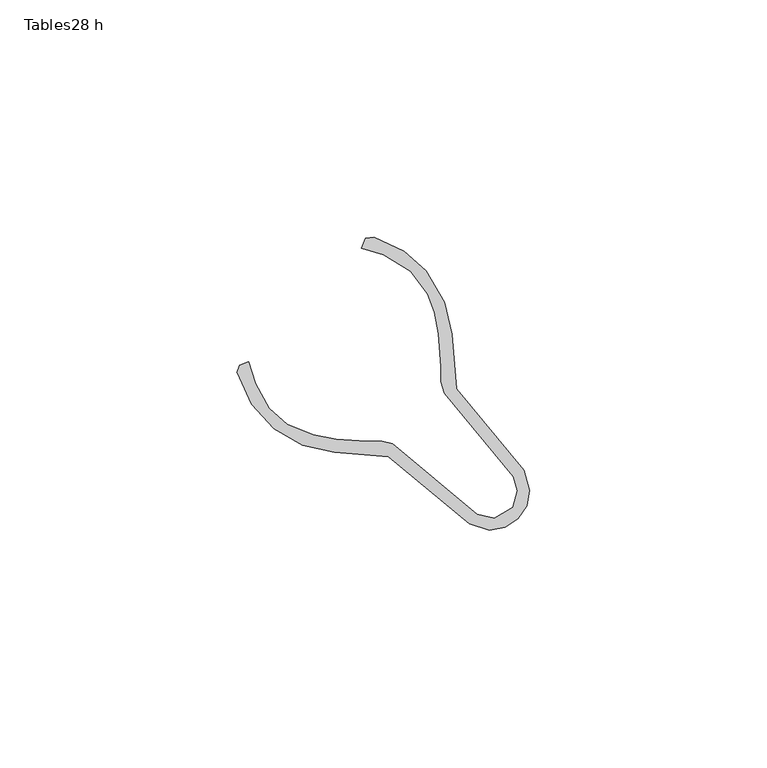
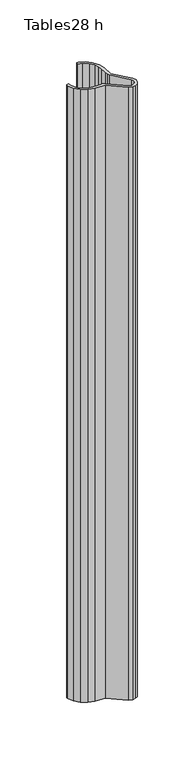
"""IFC4 building model written with IfcOpenShell, lengths in millimetres: furniture geometry, Tables28 h."""

from ifc_helpers import new_model, si_unit, frame, origin, place, context, project, spatial, polyline, outline, extrude, source, transform, mapped, element, save


def tables28_h_51f3609e(model_context):
    return source(origin(), model_context, "Body", "SweptSolid", [
        extrude(outline(polyline([(52.0630512, -37.6892647), (66.2408695, -54.8068291), (67.41999, -59.0119912), (66.8595818, -62.2733746), (65.0451849, -65.0407929), (62.277762, -66.8551943), (59.0163832, -67.4156025), (54.7884072, -66.1382005), (37.6864056, -51.9758972), (26.3660801, -51.0576711), (19.5843878, -49.530357), (13.5687632, -46.0466398), (8.868731, -40.9247549), (5.8163442, -34.1769155), (6.2942118, -32.7304331), (8.1947439, -31.9670845), (9.6651577, -36.5686595), (12.5604695, -41.7795719), (16.2844711, -45.0742881), (21.8093883, -47.3129778), (26.6967455, -48.279482), (33.1999448, -48.6702623), (36.3184318, -48.7462797), (38.5999422, -49.2684362), (56.3556671, -64.1194965), (60.0533157, -64.9701213), (63.9638601, -62.6146147), (64.9215142, -59.0992406), (64.0844014, -56.1395602), (49.4842888, -38.6247772), (48.7506671, -36.1552899), (48.7486006, -32.9807244), (48.2236637, -26.0867268), (47.3721766, -21.5755771), (45.91493, -17.6327446), (42.3080099, -12.8772516), (36.6476155, -9.4574538), (32.004024, -8.0420049), (32.8816753, -5.9352045), (34.6369756, -5.7505012), (40.9291469, -8.7055909), (45.6138582, -12.7745269), (49.534749, -19.421246), (51.0620586, -26.2029405), (52.0630512, -37.6892647)])), frame((0.0, 0.0, 14.4230443), z_axis=(0.0, 0.0, 1.0), x_axis=(1.0, 0.0, 0.0)), (0.0, 0.0, 1.0), 714.9997291),
    ])


if __name__ == "__main__":
    model = new_model("IFC4")
    model_context = context("Model", 3, world=origin())
    ifc_project = project(units=[si_unit("LENGTHUNIT", "METRE", prefix="MILLI")], contexts=[model_context])
    site = spatial("IfcSite", under=ifc_project)
    building = spatial("IfcBuilding", under=site)
    placement = place(None, origin())
    tables28_h_shape = tables28_h_51f3609e(model_context)
    element("IfcFurniture", 1, ObjectType="Tables28 h", at=placement, inside=building, context=model_context, shape_type="MappedRepresentation", body=[
        mapped(tables28_h_shape, transform((0.0, 0.0, 0.0), x_axis=(1.0, 0.0, 0.0), y_axis=(0.0, 1.0, 0.0), z_axis=(0.0, 0.0, 1.0))),
    ])
    save(model, "model.ifc")
